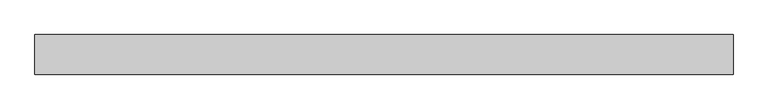
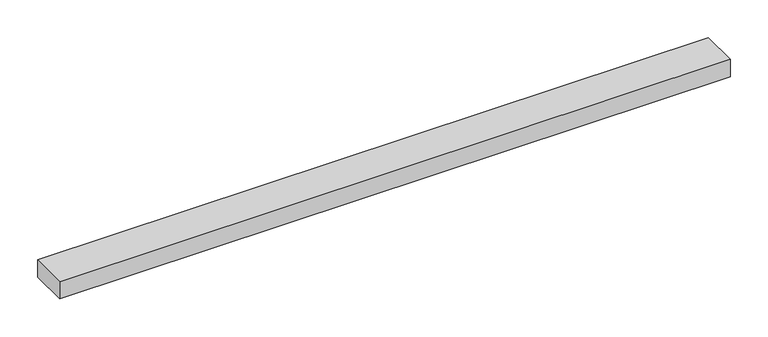
"""IFC4 building model written with IfcOpenShell, lengths in millimetres: proxy geometry."""

from ifc_helpers import new_model, si_unit, frame, origin, place, context, project, spatial, polyline, outline, extrude, source, transform, mapped, element, save


def specialty_equipment_cc673101(model_context):
    return source(origin(), model_context, "Body", "SweptSolid", [
        extrude(outline(polyline([(-514.35, 29.2199219), (514.35, 29.2199219), (514.35, -29.2199219), (-514.35, -29.2199219), (-514.35, 29.2199219)])), frame((0.0, 0.0, -13.9898438), z_axis=(0.0, 0.0, 1.0), x_axis=(1.0, 0.0, 0.0)), (0.0, 0.0, 1.0), 27.9796875),
    ])


if __name__ == "__main__":
    model = new_model("IFC4")
    model_context = context("Model", 3, world=origin())
    ifc_project = project(units=[si_unit("LENGTHUNIT", "METRE", prefix="MILLI")], contexts=[model_context])
    site = spatial("IfcSite", under=ifc_project)
    building = spatial("IfcBuilding", under=site)
    placement = place(None, origin())
    specialty_equipment_shape = specialty_equipment_cc673101(model_context)
    element("IfcBuildingElementProxy", 1, Name="Specialty Equipment", at=placement, inside=building, context=model_context, shape_type="MappedRepresentation", body=[
        mapped(specialty_equipment_shape, transform((0.0, 0.0, 0.0), x_axis=(1.0, 0.0, 0.0), y_axis=(0.0, 1.0, 0.0), z_axis=(0.0, 0.0, 1.0))),
    ])
    save(model, "model.ifc")
